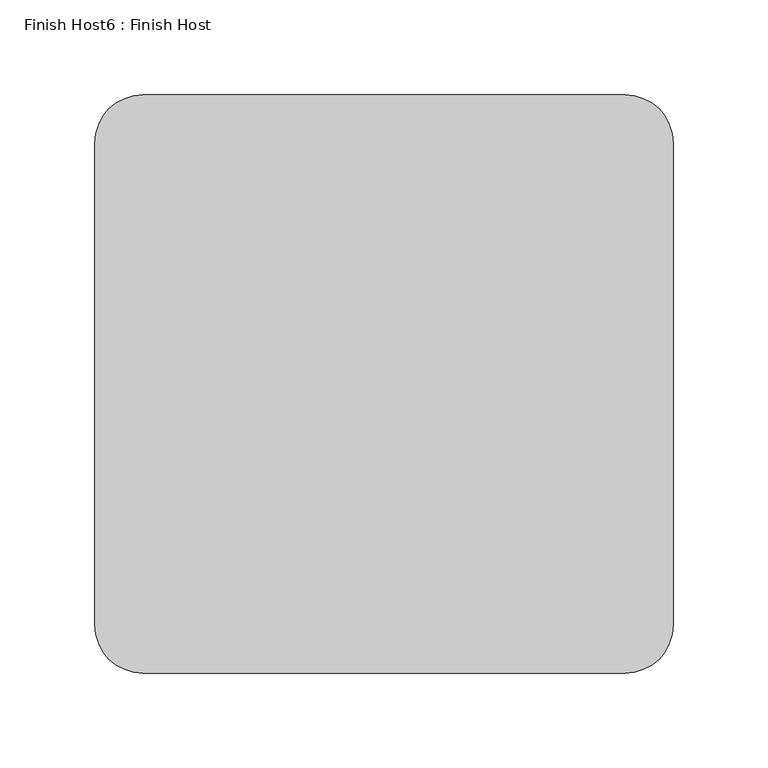
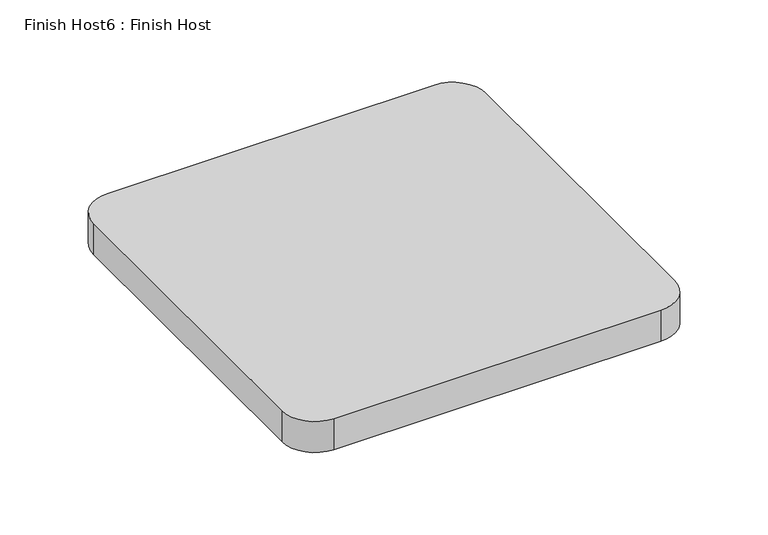
"""IFC4 building model written with IfcOpenShell, lengths in millimetres: proxy geometry, Finish Host6 : Finish Host."""

from ifc_helpers import new_model, si_unit, point, frame_2d, origin, origin_with_axes, place, context, project, spatial, polyline, circle_curve, trimmed, segment, composite_curve, outline, extrude, source, transform, mapped, element, save


def finish_host6_finish_host_2f1395f0(model_context):
    return source(origin(), model_context, "Body", "SweptSolid", [
        extrude(outline(composite_curve([segment(polyline([(3477.0934426, 1206.8122951), (3477.0934426, 1460.8122951)]), True, "CONTINUOUS"), segment(trimmed(circle_curve(frame_2d((3502.4934426, 1460.8122951)), 25.4), [point((3477.0934426, 1460.8122951))], [point((3502.4934426, 1486.2122951))], False, "CARTESIAN"), True, "CONTINUOUS"), segment(polyline([(3502.4934426, 1486.2122951), (3756.4934426, 1486.2122951)]), True, "CONTINUOUS"), segment(trimmed(circle_curve(frame_2d((3756.4934426, 1460.8122951)), 25.4), [point((3756.4934426, 1486.2122951))], [point((3781.8934426, 1460.8122951))], False, "CARTESIAN"), True, "CONTINUOUS"), segment(polyline([(3781.8934426, 1460.8122951), (3781.8934426, 1206.8122951)]), True, "CONTINUOUS"), segment(trimmed(circle_curve(frame_2d((3756.4934426, 1206.8122951)), 25.4), [point((3781.8934426, 1206.8122951))], [point((3756.4934426, 1181.4122951))], False, "CARTESIAN"), True, "CONTINUOUS"), segment(polyline([(3756.4934426, 1181.4122951), (3502.4934426, 1181.4122951)]), True, "CONTINUOUS"), segment(trimmed(circle_curve(frame_2d((3502.4934426, 1206.8122951)), 25.4), [point((3502.4934426, 1181.4122951))], [point((3477.0934426, 1206.8122951))], False, "CARTESIAN"), True, "CONTINUOUS")], self_intersect=False)), origin_with_axes(), (0.0, 0.0, 1.0), 25.4),
    ])


if __name__ == "__main__":
    model = new_model("IFC4")
    model_context = context("Model", 3, world=origin())
    ifc_project = project(units=[si_unit("LENGTHUNIT", "METRE", prefix="MILLI")], contexts=[model_context])
    site = spatial("IfcSite", under=ifc_project)
    building = spatial("IfcBuilding", under=site)
    placement = place(None, origin())
    finish_host6_finish_host_shape = finish_host6_finish_host_2f1395f0(model_context)
    element("IfcBuildingElementProxy", 1, Name="Finish Host6 : Finish Host", ObjectType="Finish Host6 : Finish Host", at=placement, inside=building, context=model_context, shape_type="MappedRepresentation", body=[
        mapped(finish_host6_finish_host_shape, transform((0.0, 0.0, 0.0), x_axis=(1.0, 0.0, 0.0), y_axis=(0.0, 1.0, 0.0), z_axis=(0.0, 0.0, 1.0))),
    ])
    save(model, "model.ifc")
